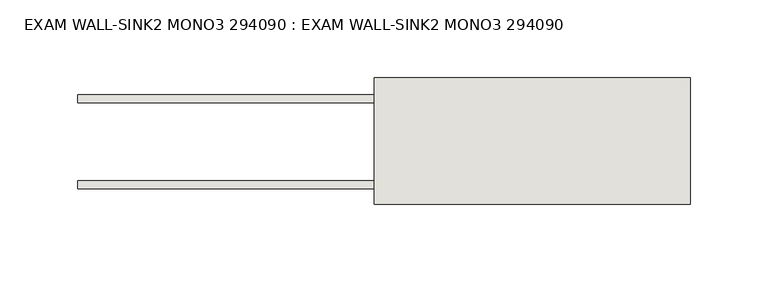
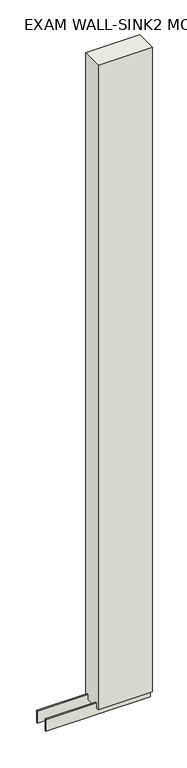
"""IFC4 building model written with IfcOpenShell, lengths in millimetres: wall geometry, EXAM WALL-SINK2 MONO3 294090 : EXAM WALL-SINK2 MONO3 294090."""

from ifc_helpers import new_model, si_unit, frame, origin, place, context, project, spatial, polyline, outline, extrude, source, transform, mapped, element, save


def exam_wall_sink2_mono3_294090_exam_wall_sink2_mono3_294090_8b76130b(model_context):
    return source(origin(), model_context, "Body", "SweptSolid", [
        extrude(outline(polyline([(84405.035914, -50815.3745692), (84402.495914, -50815.3745692), (84402.495914, -50812.8345692), (84405.035914, -50812.8345692), (84405.035914, -50815.3745692)])), frame((0.0, 0.0, 4419.6), z_axis=(0.0, 0.0, 1.0), x_axis=(1.0, 0.0, 0.0)), (0.0, 0.0, 1.0), 2.54),
        extrude(outline(polyline([(84605.700867, -50789.0270222), (84212.000867, -50789.0270222), (84212.000867, -50783.9482668), (84605.700867, -50783.9482668), (84605.700867, -50789.0270222)])), frame((0.0, 0.0, 4418.6602), z_axis=(0.0, 0.0, 1.0), x_axis=(1.0, 0.0, 0.0)), (0.0, 0.0, 1.0), 47.625),
        extrude(outline(polyline([(84605.700867, -50789.0270222), (84212.000867, -50789.0270222), (84212.000867, -50783.9482668), (84605.700867, -50783.9482668), (84605.700867, -50789.0270222)])), frame((0.0, 0.0, 4418.6602), z_axis=(0.0, 0.0, 1.0), x_axis=(1.0, 0.0, 0.0)), (0.0, 0.0, 1.0), 47.625),
        extrude(outline(polyline([(84212.000867, -50839.1914126), (84605.700867, -50839.1914126), (84605.700867, -50844.2732668), (84212.000867, -50844.2732668), (84212.000867, -50839.1914126)])), frame((0.0, 0.0, 4418.6602), z_axis=(0.0, 0.0, 1.0), x_axis=(1.0, 0.0, 0.0)), (0.0, 0.0, 1.0), 47.625),
        extrude(outline(polyline([(84212.000867, -50839.1914126), (84605.700867, -50839.1914126), (84605.700867, -50844.2732668), (84212.000867, -50844.2732668), (84212.000867, -50839.1914126)])), frame((0.0, 0.0, 4418.6602), z_axis=(0.0, 0.0, 1.0), x_axis=(1.0, 0.0, 0.0)), (0.0, 0.0, 1.0), 47.625),
        extrude(outline(polyline([(84605.700867, -50773.4558824), (84605.700867, -50854.7377366), (84402.500867, -50854.7377366), (84402.500867, -50773.4558824), (84605.700867, -50773.4558824)])), frame((0.0, 0.0, 4445.0), z_axis=(0.0, 0.0, 1.0), x_axis=(1.0, 0.0, 0.0)), (0.0, 0.0, 1.0), 2562.4536762),
    ])


if __name__ == "__main__":
    model = new_model("IFC4")
    model_context = context("Model", 3, world=origin())
    ifc_project = project(units=[si_unit("LENGTHUNIT", "METRE", prefix="MILLI")], contexts=[model_context])
    site = spatial("IfcSite", under=ifc_project)
    building = spatial("IfcBuilding", under=site)
    placement = place(None, origin())
    exam_wall_sink2_mono3_294090_exam_wall_sink2_mono3_294090_shape = exam_wall_sink2_mono3_294090_exam_wall_sink2_mono3_294090_8b76130b(model_context)
    element("IfcWall", 1, ObjectType="EXAM WALL-SINK2 MONO3 294090 : EXAM WALL-SINK2 MONO3 294090", at=placement, inside=building, context=model_context, shape_type="MappedRepresentation", body=[
        mapped(exam_wall_sink2_mono3_294090_exam_wall_sink2_mono3_294090_shape, transform((0.0, 0.0, 0.0), x_axis=(1.0, 0.0, 0.0), y_axis=(0.0, 1.0, 0.0), z_axis=(0.0, 0.0, 1.0))),
    ])
    save(model, "model.ifc")
